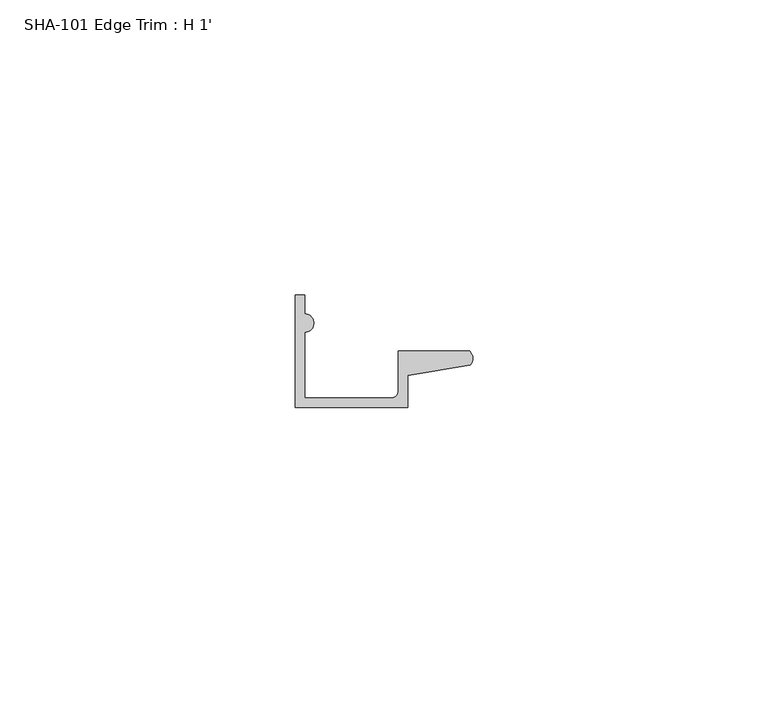
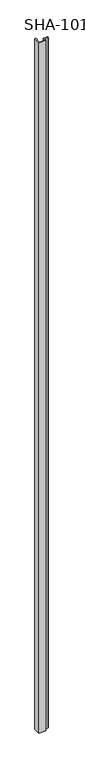
"""IFC4 building model written with IfcOpenShell, lengths in millimetres: proxy geometry, SHA-101 Edge Trim : H 1'."""

from ifc_helpers import new_model, si_unit, point, frame_2d, origin, origin_with_axes, place, context, project, spatial, polyline, circle_curve, trimmed, segment, composite_curve, outline, extrude, source, transform, mapped, element, save


def sha_101_edge_trim_h_1_91bd60bd(model_context):
    return source(origin(), model_context, "Body", "SweptSolid", [
        extrude(outline(composite_curve([segment(polyline([(1.5748, 12.7127), (1.5748, 1.5748), (16.1798, 1.5748)]), True, "CONTINUOUS"), segment(trimmed(circle_curve(frame_2d((16.1798, 2.8448)), 1.27), [point((16.1798, 1.5748))], [point((17.4498, 2.8448))], True, "CARTESIAN"), True, "CONTINUOUS"), segment(polyline([(17.4498, 2.8448), (17.4498, 9.525), (29.5346031, 9.525)]), True, "CONTINUOUS"), segment(trimmed(circle_curve(frame_2d((28.4438454, 8.3323235)), 1.6162393), [point((29.5346031, 9.525))], [point((29.6006869, 7.2036308))], False, "CARTESIAN"), True, "CONTINUOUS"), segment(polyline([(29.6006869, 7.2036308), (19.0246, 5.392657), (19.0246, 0.0), (0.0, 0.0), (0.0, 19.05), (1.5748, 19.05), (1.5748, 15.8623)]), True, "CONTINUOUS"), segment(trimmed(circle_curve(frame_2d((1.5748, 14.2875)), 1.5748), [point((1.5748, 15.8623))], [point((1.5748, 12.7127))], False, "CARTESIAN"), True, "CONTINUOUS")], self_intersect=False)), origin_with_axes(), (0.0, 0.0, 1.0), 1987.55),
    ])


if __name__ == "__main__":
    model = new_model("IFC4")
    model_context = context("Model", 3, world=origin())
    ifc_project = project(units=[si_unit("LENGTHUNIT", "METRE", prefix="MILLI")], contexts=[model_context])
    site = spatial("IfcSite", under=ifc_project)
    building = spatial("IfcBuilding", under=site)
    placement = place(None, origin())
    sha_101_edge_trim_h_1_shape = sha_101_edge_trim_h_1_91bd60bd(model_context)
    element("IfcBuildingElementProxy", 1, Name="SHA-101 Edge Trim : H 1'", ObjectType="SHA-101 Edge Trim : H 1'", at=placement, inside=building, context=model_context, shape_type="MappedRepresentation", body=[
        mapped(sha_101_edge_trim_h_1_shape, transform((0.0, 0.0, 0.0), x_axis=(1.0, 0.0, 0.0), y_axis=(0.0, 1.0, 0.0), z_axis=(0.0, 0.0, 1.0))),
    ])
    save(model, "model.ifc")
